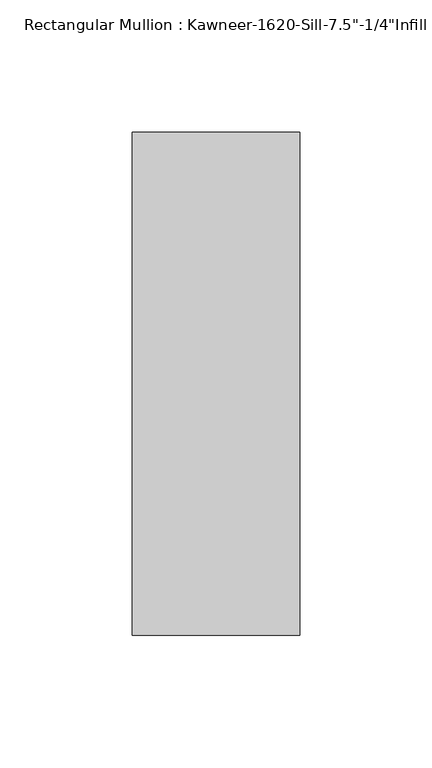
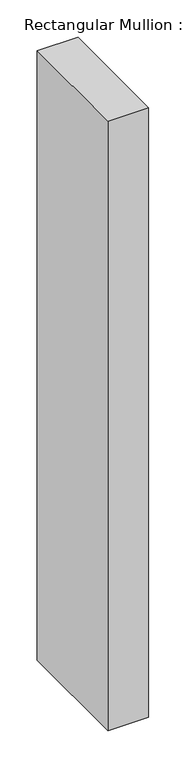
"""IFC4 building model written with IfcOpenShell, lengths in millimetres: member geometry."""

from ifc_helpers import new_model, si_unit, frame, origin, place, context, project, spatial, polyline, outline, extrude, source, transform, mapped, element, save


def member_401a1039(model_context):
    return source(origin(), model_context, "Body", "SweptSolid", [
        extrude(outline(polyline([(-63.5, 28.575), (0.0, 28.575), (0.0, -161.925), (-63.5, -161.925), (-63.5, 28.575)])), frame((0.0, 0.0, -1000.7551893), z_axis=(0.0, 0.0, 1.0), x_axis=(1.0, 0.0, 0.0)), (0.0, 0.0, 1.0), 1000.7551893),
    ])


if __name__ == "__main__":
    model = new_model("IFC4")
    model_context = context("Model", 3, world=origin())
    ifc_project = project(units=[si_unit("LENGTHUNIT", "METRE", prefix="MILLI")], contexts=[model_context])
    site = spatial("IfcSite", under=ifc_project)
    building = spatial("IfcBuilding", under=site)
    placement = place(None, origin())
    member_shape = member_401a1039(model_context)
    element("IfcMember", 1, ObjectType="Rectangular Mullion : Kawneer-1620-Sill-7.5\"-1/4\"Infill", at=placement, inside=building, context=model_context, shape_type="MappedRepresentation", body=[
        mapped(member_shape, transform((0.0, 0.0, 0.0), x_axis=(1.0, 0.0, 0.0), y_axis=(0.0, 1.0, 0.0), z_axis=(0.0, 0.0, 1.0))),
    ])
    save(model, "model.ifc")
